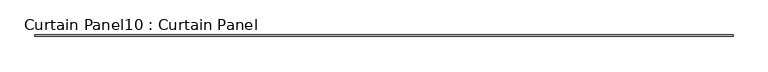
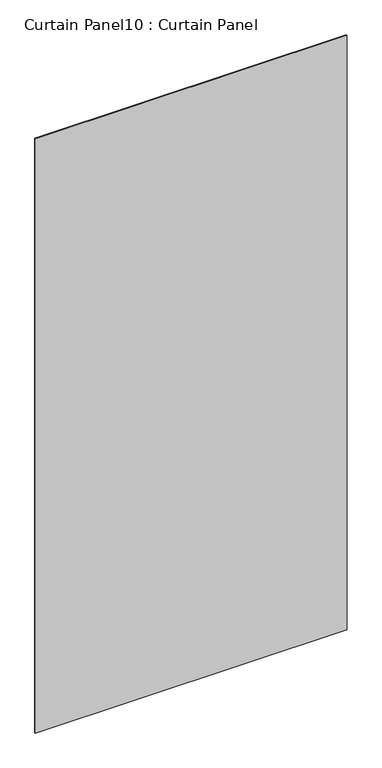
"""IFC4 building model written with IfcOpenShell, lengths in millimetres: plate geometry, Curtain Panel10 : Curtain Panel."""

from ifc_helpers import new_model, si_unit, frame, origin, place, context, project, spatial, polyline, outline, extrude, source, transform, mapped, element, save


def curtain_panel10_curtain_panel_30b2b195(model_context):
    return source(origin(), model_context, "Body", "SweptSolid", [
        extrude(outline(polyline([(203079.6166102, 2938.3096955), (200126.8666102, 2938.3096955), (200126.8666102, 2944.6596955), (203079.6166102, 2944.6596955), (203079.6166102, 2938.3096955)])), frame((0.0, 0.0, 7211.6803518), z_axis=(0.0, 0.0, 1.0), x_axis=(1.0, 0.0, 0.0)), (0.0, 0.0, 1.0), 5946.7623),
    ])


if __name__ == "__main__":
    model = new_model("IFC4")
    model_context = context("Model", 3, world=origin())
    ifc_project = project(units=[si_unit("LENGTHUNIT", "METRE", prefix="MILLI")], contexts=[model_context])
    site = spatial("IfcSite", under=ifc_project)
    building = spatial("IfcBuilding", under=site)
    placement = place(None, origin())
    curtain_panel10_curtain_panel_shape = curtain_panel10_curtain_panel_30b2b195(model_context)
    element("IfcPlate", 1, ObjectType="Curtain Panel10 : Curtain Panel", at=placement, inside=building, context=model_context, shape_type="MappedRepresentation", body=[
        mapped(curtain_panel10_curtain_panel_shape, transform((0.0, 0.0, 0.0), x_axis=(1.0, 0.0, 0.0), y_axis=(0.0, 1.0, 0.0), z_axis=(0.0, 0.0, 1.0))),
    ])
    save(model, "model.ifc")
